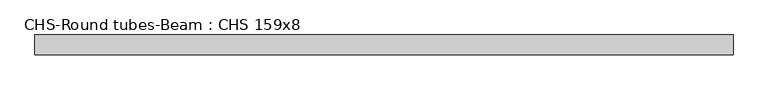
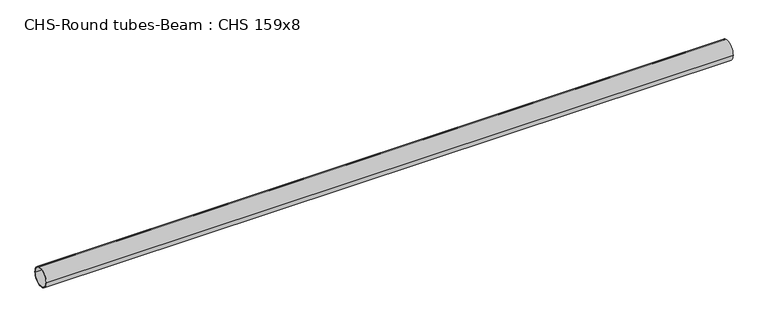
"""IFC4 building model written with IfcOpenShell, lengths in millimetres: beam geometry, CHS-Round tubes-Beam : CHS 159x8."""

from ifc_helpers import new_model, si_unit, point, frame, origin, origin_2d, place, context, project, spatial, circle_curve, trimmed, segment, composite_curve, outline, extrude, source, transform, mapped, element, save


def chs_round_tubes_beam_chs_159x8_35479de0(model_context):
    return source(origin(), model_context, "Body", "SweptSolid", [
        extrude(outline(composite_curve([segment(trimmed(circle_curve(origin_2d(), 79.5), [point((79.5, 0.0))], [point((-79.5, 0.0))], False, "CARTESIAN"), True, "CONTINUOUS"), segment(trimmed(circle_curve(origin_2d(), 79.5), [point((-79.5, 0.0))], [point((79.5, 0.0))], False, "CARTESIAN"), True, "CONTINUOUS")], self_intersect=False), holes=[composite_curve([segment(trimmed(circle_curve(origin_2d(), 71.5), [point((71.5, 0.0))], [point((-71.5, 0.0))], True, "CARTESIAN"), True, "CONTINUOUS"), segment(trimmed(circle_curve(origin_2d(), 71.5), [point((-71.5, 0.0))], [point((71.5, 0.0))], True, "CARTESIAN"), True, "CONTINUOUS")], self_intersect=False)]), frame((-2808.9870136, 0.0, 0.0), z_axis=(1.0, 0.0, 0.0), x_axis=(0.0, 1.0, 0.0)), (0.0, 0.0, 1.0), 5623.9790946),
    ])


if __name__ == "__main__":
    model = new_model("IFC4")
    model_context = context("Model", 3, world=origin())
    ifc_project = project(units=[si_unit("LENGTHUNIT", "METRE", prefix="MILLI")], contexts=[model_context])
    site = spatial("IfcSite", under=ifc_project)
    building = spatial("IfcBuilding", under=site)
    placement = place(None, origin())
    chs_round_tubes_beam_chs_159x8_shape = chs_round_tubes_beam_chs_159x8_35479de0(model_context)
    element("IfcBeam", 1, ObjectType="CHS-Round tubes-Beam : CHS 159x8", at=placement, inside=building, context=model_context, shape_type="MappedRepresentation", body=[
        mapped(chs_round_tubes_beam_chs_159x8_shape, transform((0.0, 0.0, 0.0), x_axis=(1.0, 0.0, 0.0), y_axis=(0.0, 1.0, 0.0), z_axis=(0.0, 0.0, 1.0))),
    ])
    save(model, "model.ifc")
